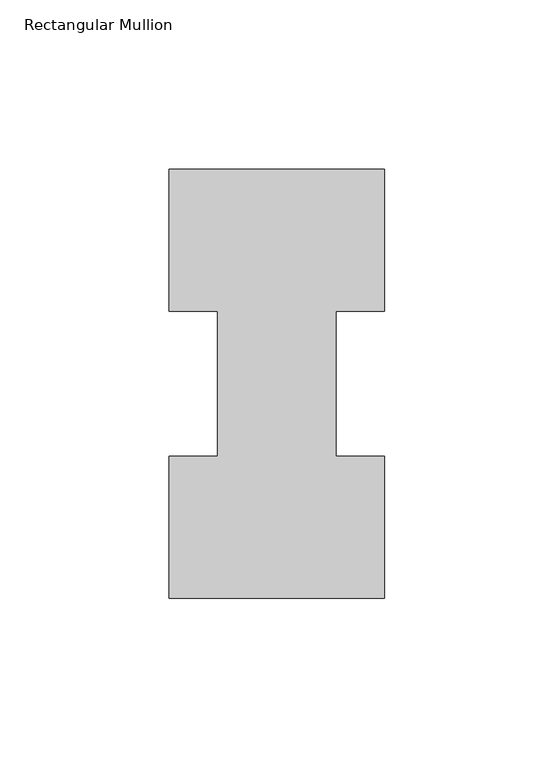
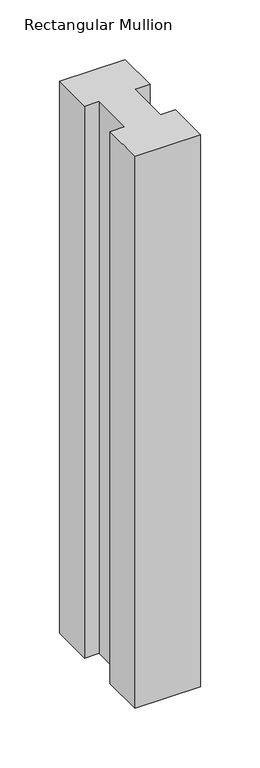
"""IFC4 building model written with IfcOpenShell, lengths in millimetres: member geometry, Rectangular Mullion."""

from ifc_helpers import new_model, si_unit, frame, origin, place, context, project, spatial, polyline, outline, extrude, source, transform, mapped, element, save


def rectangular_mullion_4aa13b3c(model_context):
    return source(origin(), model_context, "Body", "SweptSolid", [
        extrude(outline(polyline([(-63.5, 0.2967757), (-63.5, 42.1178757), (-49.2125, 42.1178757), (-49.2125, 84.93125), (-63.5, 84.93125), (-63.5, 126.7887757), (0.0, 126.7887757), (0.0, 84.93125), (-14.2748, 84.93125), (-14.2748, 42.1178757), (0.0, 42.1178757), (0.0, 0.2967757), (-63.5, 0.2967757)])), frame((0.0, 0.0, -565.1563826), z_axis=(0.0, 0.0, 1.0), x_axis=(1.0, 0.0, 0.0)), (0.0, 0.0, 1.0), 565.1563826),
    ])


if __name__ == "__main__":
    model = new_model("IFC4")
    model_context = context("Model", 3, world=origin())
    ifc_project = project(units=[si_unit("LENGTHUNIT", "METRE", prefix="MILLI")], contexts=[model_context])
    site = spatial("IfcSite", under=ifc_project)
    building = spatial("IfcBuilding", under=site)
    placement = place(None, origin())
    rectangular_mullion_shape = rectangular_mullion_4aa13b3c(model_context)
    element("IfcMember", 1, ObjectType="Rectangular Mullion", at=placement, inside=building, context=model_context, shape_type="MappedRepresentation", body=[
        mapped(rectangular_mullion_shape, transform((0.0, 0.0, 0.0), x_axis=(1.0, 0.0, 0.0), y_axis=(0.0, 1.0, 0.0), z_axis=(0.0, 0.0, 1.0))),
    ])
    save(model, "model.ifc")
